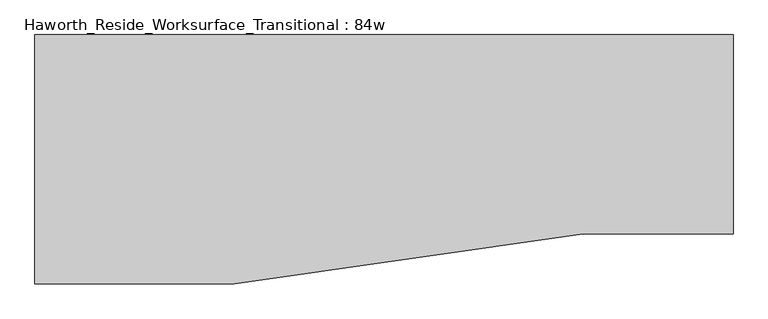
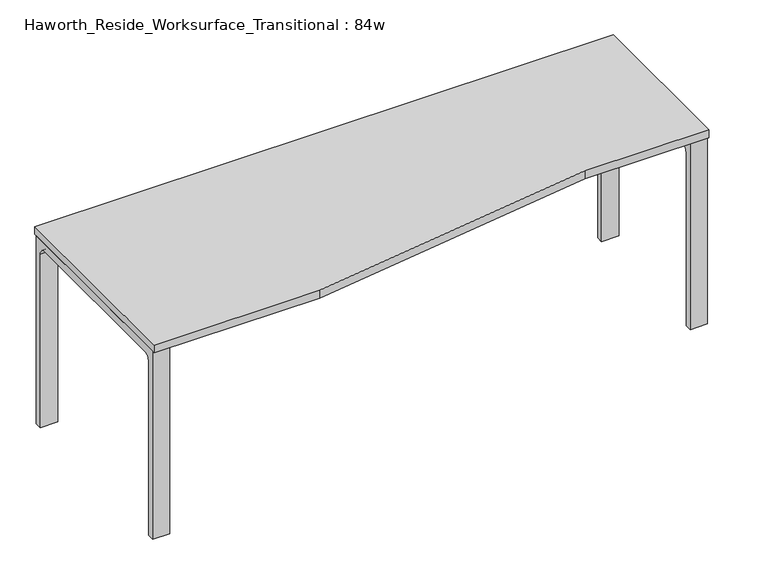
"""IFC4 building model written with IfcOpenShell, lengths in millimetres: furniture geometry, Haworth_Reside_Worksurface_Transitional : 84w."""

from ifc_helpers import new_model, si_unit, point, frame, frame_2d, origin, place, context, project, spatial, polyline, circle_curve, trimmed, segment, composite_curve, outline, extrude, source, transform, mapped, element, save


def haworth_reside_worksurface_transitional_84w_f6aa3b20(model_context):
    return source(origin(), model_context, "Body", "SweptSolid", [
        extrude(outline(composite_curve([segment(trimmed(circle_curve(frame_2d((396.875, 676.275)), 25.4), [point((422.275, 676.275))], [point((396.875, 701.675))], True, "CARTESIAN"), True, "CONTINUOUS"), segment(polyline([(396.875, 701.675), (-92.075, 701.675)]), True, "CONTINUOUS"), segment(trimmed(circle_curve(frame_2d((-92.075, 676.275)), 25.4), [point((-92.075, 701.675))], [point((-117.475, 676.275))], True, "CARTESIAN"), True, "CONTINUOUS"), segment(polyline([(-117.475, 676.275), (-117.475, 0.0), (-142.875, 0.0), (-142.875, 731.8375), (447.675, 731.8375), (447.675, 0.0), (422.275, 0.0), (422.275, 676.275)]), True, "CONTINUOUS")], self_intersect=False)), frame((1003.3, 0.0, 0.0), z_axis=(1.0, 0.0, 0.0), x_axis=(0.0, 1.0, 0.0)), (0.0, 0.0, 1.0), 63.5),
        extrude(outline(composite_curve([segment(trimmed(circle_curve(frame_2d((396.875, 676.275)), 25.4), [point((422.275, 676.275))], [point((396.875, 701.675))], True, "CARTESIAN"), True, "CONTINUOUS"), segment(polyline([(396.875, 701.675), (-244.475, 701.675)]), True, "CONTINUOUS"), segment(trimmed(circle_curve(frame_2d((-244.475, 676.275)), 25.4), [point((-244.475, 701.675))], [point((-269.875, 676.275))], True, "CARTESIAN"), True, "CONTINUOUS"), segment(polyline([(-269.875, 676.275), (-269.875, 0.0), (-295.275, 0.0), (-295.275, 731.8375), (447.675, 731.8375), (447.675, 0.0), (422.275, 0.0), (422.275, 676.275)]), True, "CONTINUOUS")], self_intersect=False)), frame((-1066.8, 0.0, 0.0), z_axis=(1.0, 0.0, 0.0), x_axis=(0.0, 1.0, 0.0)), (0.0, 0.0, 1.0), 63.5),
        extrude(outline(polyline([(-1066.8, 457.2), (1066.8, 457.2), (1066.8, -152.4), (609.6, -152.4), (-457.2, -304.8), (-1066.8, -304.8), (-1066.8, 457.2)])), frame((0.0, 0.0, 731.8375), z_axis=(0.0, 0.0, 1.0), x_axis=(1.0, 0.0, 0.0)), (0.0, 0.0, 1.0), 30.1625),
    ])


if __name__ == "__main__":
    model = new_model("IFC4")
    model_context = context("Model", 3, world=origin())
    ifc_project = project(units=[si_unit("LENGTHUNIT", "METRE", prefix="MILLI")], contexts=[model_context])
    site = spatial("IfcSite", under=ifc_project)
    building = spatial("IfcBuilding", under=site)
    placement = place(None, origin())
    haworth_reside_worksurface_transitional_84w_shape = haworth_reside_worksurface_transitional_84w_f6aa3b20(model_context)
    element("IfcFurniture", 1, ObjectType="Haworth_Reside_Worksurface_Transitional : 84w", at=placement, inside=building, context=model_context, shape_type="MappedRepresentation", body=[
        mapped(haworth_reside_worksurface_transitional_84w_shape, transform((0.0, 0.0, 0.0), x_axis=(1.0, 0.0, 0.0), y_axis=(0.0, 1.0, 0.0), z_axis=(0.0, 0.0, 1.0))),
    ])
    save(model, "model.ifc")
